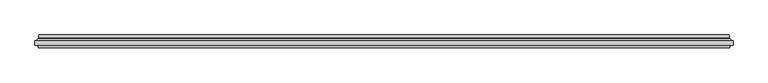
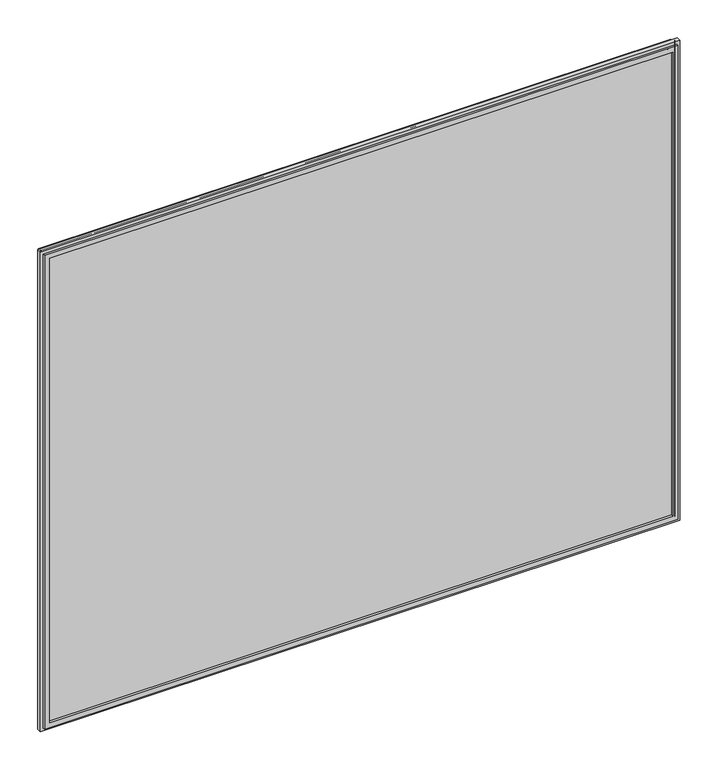
"""IFC4 building model written with IfcOpenShell, lengths in millimetres: plate geometry."""

from ifc_helpers import new_model, si_unit, frame, origin, place, context, project, spatial, polyline, ellipse_curve, outline, extrude, source, transform, mapped, element, save
from ifc_brep_helpers import plane_surface, cylinder_surface, revolved_surface, advanced_brep


def plate_e91dd78b(model_context):
    return source(origin(), model_context, "Body", "SolidModel", [
        advanced_brep(
        [(-587.5000001, 4.8968153, 19.5), (587.5000001, 4.8968153, 19.5), (587.5000001, 11.0, 19.5), (-587.5000001, 11.0, 19.5), (587.5000001, 4.8968153, 944.5000002), (587.5000001, 11.0, 944.5000002), (-587.5000001, 4.8968153, 944.5000002), (-587.5000001, 11.0, 944.5000002), (-597.6737948, 1.0, 9.3262053), (597.6737948, 1.0, 9.3262053), (597.6737948, 1.0, 954.6737949), (-597.6737948, 1.0, 954.6737949), (587.2225564, 1.0, 19.7774437), (-587.2225564, 1.0, 19.7774437), (-587.2225564, 1.0, 944.2225565), (587.2225564, 1.0, 944.2225565), (596.5000001, 11.0, 10.5), (-596.5000001, 11.0, 10.5), (-596.5000001, 11.0, 953.5000002), (596.5000001, 11.0, 953.5000002), (596.5000001, 5.9174454, 10.5), (-596.5000001, 5.9174454, 10.5), (596.5000001, 5.9174454, 953.5000002), (-596.5000001, 5.9174454, 953.5000002), (-586.5765978, 3.2113072, 20.4234023), (586.5765978, 3.2113072, 20.4234023), (-598.0737753, 3.96339, 8.9262248), (598.0737753, 3.96339, 8.9262248), (586.5765978, 3.2113072, 943.5765979), (598.0737753, 3.96339, 955.0737754), (-586.5765978, 3.2113072, 943.5765979), (-598.0737753, 3.96339, 955.0737754)],
        [
            (0, 1),
            (1, 2),
            (2, 3),
            (3, 0),
            (1, 4),
            (4, 5),
            (5, 2),
            (4, 6),
            (6, 7),
            (7, 5),
            (8, 9),
            (9, 10),
            (10, 11),
            (11, 8),
            (12, 13),
            (13, 14),
            (14, 15),
            (15, 12),
            (16, 17),
            (17, 18),
            (18, 19),
            (19, 16),
            (7, 3),
            (6, 0),
            (16, 20),
            (20, 21),
            (21, 17),
            (19, 22),
            (22, 20),
            (18, 23),
            (23, 22),
            (21, 23),
            (24, 25),
            (25, 1, ellipse_curve(frame((585.5000001, 4.8968153, 21.5), z_axis=(0.7071067811865475, 0.0, 0.7071067811865475), x_axis=(0.7071067811865476, 0.0, -0.7071067811865474)), 2.8284271, 2.0)),
            (0, 24, ellipse_curve(frame((-585.5000001, 4.8968153, 21.5), z_axis=(-0.7071067811865475, 0.0, 0.7071067811865475), x_axis=(0.7071067811865476, 0.0, 0.7071067811865474)), 2.8284271, 2.0)),
            (12, 25, ellipse_curve(frame((587.2225564, 2.2000024, 19.7774437), z_axis=(-0.7071067811865475, 0.0, -0.7071067811865475), x_axis=(-0.7071067811865476, 0.0, 0.7071067811865474)), 1.6970563, 1.2)),
            (24, 13, ellipse_curve(frame((-587.2225564, 2.2000024, 19.7774437), z_axis=(0.7071067811865475, 0.0, -0.7071067811865475), x_axis=(-0.7071067811865476, 0.0, -0.7071067811865474)), 1.6970563, 1.2)),
            (26, 27),
            (27, 9, ellipse_curve(frame((597.7541068, 2.4978485, 9.2458934), z_axis=(-0.7071067811865475, 0.0, -0.7071067811865475), x_axis=(-0.7071067811865476, 0.0, 0.7071067811865474)), 2.1213203, 1.5)),
            (8, 26, ellipse_curve(frame((-597.7541068, 2.4978485, 9.2458934), z_axis=(0.7071067811865475, 0.0, -0.7071067811865475), x_axis=(-0.7071067811865476, 0.0, -0.7071067811865474)), 2.1213203, 1.5)),
            (20, 27, ellipse_curve(frame((598.5000001, 5.9174454, 8.5), z_axis=(0.7071067811865475, 0.0, 0.7071067811865475), x_axis=(0.7071067811865476, 0.0, -0.7071067811865474)), 2.8284271, 2.0)),
            (26, 21, ellipse_curve(frame((-598.5000001, 5.9174454, 8.5), z_axis=(-0.7071067811865475, 0.0, 0.7071067811865475), x_axis=(0.7071067811865476, 0.0, 0.7071067811865474)), 2.8284271, 2.0)),
            (25, 28),
            (28, 4, ellipse_curve(frame((585.5000001, 4.8968153, 942.5000002), z_axis=(-0.7071067811865475, 0.0, 0.7071067811865475), x_axis=(0.7071067811865474, 0.0, 0.7071067811865476)), 2.8284271, 2.0)),
            (15, 28, ellipse_curve(frame((587.2225564, 2.2000024, 944.2225565), z_axis=(0.7071067811865475, 0.0, -0.7071067811865475), x_axis=(-0.7071067811865474, 0.0, -0.7071067811865476)), 1.6970563, 1.2)),
            (27, 29),
            (29, 10, ellipse_curve(frame((597.7541068, 2.4978485, 954.7541069), z_axis=(0.7071067811865475, 0.0, -0.7071067811865475), x_axis=(-0.7071067811865474, 0.0, -0.7071067811865476)), 2.1213203, 1.5)),
            (22, 29, ellipse_curve(frame((598.5000001, 5.9174454, 955.5000002), z_axis=(-0.7071067811865475, 0.0, 0.7071067811865475), x_axis=(0.7071067811865474, 0.0, 0.7071067811865476)), 2.8284271, 2.0)),
            (28, 30),
            (30, 6, ellipse_curve(frame((-585.5000001, 4.8968153, 942.5000002), z_axis=(-0.7071067811865475, 0.0, -0.7071067811865475), x_axis=(-0.7071067811865476, 0.0, 0.7071067811865474)), 2.8284271, 2.0)),
            (14, 30, ellipse_curve(frame((-587.2225564, 2.2000024, 944.2225565), z_axis=(0.7071067811865475, 0.0, 0.7071067811865475), x_axis=(0.7071067811865476, 0.0, -0.7071067811865474)), 1.6970563, 1.2)),
            (29, 31),
            (31, 11, ellipse_curve(frame((-597.7541068, 2.4978485, 954.7541069), z_axis=(0.7071067811865475, 0.0, 0.7071067811865475), x_axis=(0.7071067811865476, 0.0, -0.7071067811865474)), 2.1213203, 1.5)),
            (23, 31, ellipse_curve(frame((-598.5000001, 5.9174454, 955.5000002), z_axis=(-0.7071067811865475, 0.0, -0.7071067811865475), x_axis=(-0.7071067811865476, 0.0, 0.7071067811865474)), 2.8284271, 2.0)),
            (30, 24),
            (31, 26),
        ],
        [
            plane_surface(frame((-587.5000001, 11.0, 19.5), z_axis=(0.0, 0.0, 1.0), x_axis=(1.0, 0.0, 0.0))),
            plane_surface(frame((587.5000001, 11.0, 19.5), z_axis=(-1.0, 0.0, 0.0), x_axis=(0.0, 0.0, 1.0))),
            plane_surface(frame((587.5000001, 11.0, 944.5000002), z_axis=(0.0, 0.0, -1.0), x_axis=(-1.0, 0.0, 0.0))),
            plane_surface(frame((-587.2225564, 1.0, 944.2225565), z_axis=(0.0, -1.0, 0.0), x_axis=(0.0, 0.0, -1.0))),
            plane_surface(frame((-596.5000001, 11.0, 953.5000002), z_axis=(0.0, 1.0, 0.0), x_axis=(0.0, 0.0, -1.0))),
            plane_surface(frame((-587.5000001, 11.0, 944.5000002), z_axis=(1.0, 0.0, 0.0), x_axis=(0.0, 0.0, -1.0))),
            plane_surface(frame((-596.5000001, 5.9174454, 10.5), z_axis=(0.0, 0.0, -1.0), x_axis=(1.0, 0.0, 0.0))),
            plane_surface(frame((596.5000001, 5.9174454, 10.5), z_axis=(1.0, 0.0, 0.0), x_axis=(0.0, 0.0, 1.0))),
            plane_surface(frame((596.5000001, 5.9174454, 953.5000002), z_axis=(0.0, 0.0, 1.0), x_axis=(-1.0, 0.0, 0.0))),
            plane_surface(frame((-596.5000001, 5.9174454, 953.5000002), z_axis=(-1.0, 0.0, 0.0), x_axis=(0.0, 0.0, -1.0))),
            revolved_surface(polyline([(587.5000001, 2.8968153, 21.5), (-587.5000001, 2.8968153, 21.5)]), (-607.0000001, 4.8968153, 21.5), (1.0, 0.0, 0.0)),
            cylinder_surface(frame((-607.0000001, 2.2000024, 19.7774437), z_axis=(-1.0, 0.0, 0.0), x_axis=(0.0, -1.0, 0.0)), 1.2),
            cylinder_surface(frame((-607.0000001, 2.4978485, 9.2458934), z_axis=(-1.0, 0.0, 0.0), x_axis=(0.0, -1.0, 0.0)), 1.5),
            revolved_surface(polyline([(600.5000000825017, 3.9174454, 8.5), (-600.5000000825017, 3.9174454, 8.5)]), (-607.0000001, 5.9174454, 8.5), (1.0, 0.0, 0.0)),
            revolved_surface(polyline([(585.5000001, 2.8968153, 944.5000002), (585.5000001, 2.8968153, 19.5)]), (585.5000001, 4.8968153, 0.0), (0.0, 0.0, 1.0)),
            cylinder_surface(frame((587.2225564, 2.2000024, 0.0), z_axis=(0.0, 0.0, -1.0), x_axis=(0.0, -1.0, 0.0)), 1.2),
            cylinder_surface(frame((597.7541068, 2.4978485, 0.0), z_axis=(0.0, 0.0, -1.0), x_axis=(0.0, -1.0, 0.0)), 1.5),
            revolved_surface(polyline([(598.5000001, 3.9174454, 957.5000001825018), (598.5000001, 3.9174454, 6.500000017498199)]), (598.5000001, 5.9174454, 0.0), (0.0, 0.0, 1.0)),
            revolved_surface(polyline([(-587.5000001, 2.8968153, 942.5000002), (587.5000001, 2.8968153, 942.5000002)]), (607.0000001, 4.8968153, 942.5000002), (-1.0, 0.0, 0.0)),
            cylinder_surface(frame((607.0000001, 2.2000024, 944.2225565), z_axis=(1.0, 0.0, 0.0), x_axis=(0.0, -1.0, 0.0)), 1.2),
            cylinder_surface(frame((607.0000001, 2.4978485, 954.7541069), z_axis=(1.0, 0.0, 0.0), x_axis=(0.0, -1.0, 0.0)), 1.5),
            revolved_surface(polyline([(-600.5000000825017, 3.9174454, 955.5000002), (600.5000000825017, 3.9174454, 955.5000002)]), (607.0000001, 5.9174454, 955.5000002), (-1.0, 0.0, 0.0)),
            revolved_surface(polyline([(-585.5000001, 2.8968153, 19.5), (-585.5000001, 2.8968153, 944.5000002)]), (-585.5000001, 4.8968153, 964.0000002), (0.0, 0.0, -1.0)),
            cylinder_surface(frame((-587.2225564, 2.2000024, 964.0000002), z_axis=(0.0, 0.0, 1.0), x_axis=(0.0, -1.0, 0.0)), 1.2),
            cylinder_surface(frame((-597.7541068, 2.4978485, 964.0000002), z_axis=(0.0, 0.0, 1.0), x_axis=(0.0, -1.0, 0.0)), 1.5),
            revolved_surface(polyline([(-598.5000001, 3.9174454, 6.500000017498223), (-598.5000001, 3.9174454, 957.5000001825018)]), (-598.5000001, 5.9174454, 964.0000002), (0.0, 0.0, -1.0)),
        ],
        [
            (0, [[1, 2, 3, 4]]),
            (1, [[5, 6, 7, -2]]),
            (2, [[8, 9, 10, -6]]),
            (3, [[11, 12, 13, 14], [15, 16, 17, 18]]),
            (4, [[19, 20, 21, 22], [-3, -7, -10, 23]]),
            (5, [[24, -4, -23, -9]]),
            (6, [[-19, 25, 26, 27]]),
            (7, [[-22, 28, 29, -25]]),
            (8, [[-21, 30, 31, -28]]),
            (9, [[-20, -27, 32, -30]]),
            (10, [[33, 34, -1, 35]]),
            (11, [[-15, 36, -33, 37]]),
            (12, [[38, 39, -11, 40]]),
            (13, [[-26, 41, -38, 42]]),
            (14, [[43, 44, -5, -34]]),
            (15, [[-18, 45, -43, -36]]),
            (16, [[46, 47, -12, -39]]),
            (17, [[-29, 48, -46, -41]]),
            (18, [[49, 50, -8, -44]]),
            (19, [[-17, 51, -49, -45]]),
            (20, [[52, 53, -13, -47]]),
            (21, [[-31, 54, -52, -48]]),
            (22, [[55, -35, -24, -50]]),
            (23, [[-16, -37, -55, -51]]),
            (24, [[56, -40, -14, -53]]),
            (25, [[-32, -42, -56, -54]]),
        ],
    ),
        extrude(outline(polyline([(9.5, -597.5000001), (9.5, 597.5000001), (954.5000002, 597.5000001), (954.5000002, -597.5000001), (9.5, -597.5000001)]), holes=[polyline([(19.5, 587.5000001), (19.5, -587.5000001), (944.5000002, -587.5000001), (944.5000002, 587.5000001), (19.5, 587.5000001)])]), frame((0.0, -11.0, 0.0), z_axis=(0.0, 1.0, 0.0), x_axis=(0.0, 0.0, 1.0)), (0.0, 0.0, 1.0), 4.0),
        extrude(outline(polyline([(-603.0000001, -7.0), (-603.0000001, 1.0), (603.0000001, 1.0), (603.0000001, -7.0), (-603.0000001, -7.0)])), frame((0.0, 0.0, 4.0), z_axis=(0.0, 0.0, 1.0), x_axis=(1.0, 0.0, 0.0)), (0.0, 0.0, 1.0), 956.0000002),
    ])


if __name__ == "__main__":
    model = new_model("IFC4")
    model_context = context("Model", 3, world=origin())
    ifc_project = project(units=[si_unit("LENGTHUNIT", "METRE", prefix="MILLI")], contexts=[model_context])
    site = spatial("IfcSite", under=ifc_project)
    building = spatial("IfcBuilding", under=site)
    placement = place(None, origin())
    plate_shape = plate_e91dd78b(model_context)
    element("IfcPlate", 1, at=placement, inside=building, context=model_context, shape_type="MappedRepresentation", body=[
        mapped(plate_shape, transform((0.0, 0.0, 0.0), x_axis=(1.0, 0.0, 0.0), y_axis=(0.0, 1.0, 0.0), z_axis=(0.0, 0.0, 1.0))),
    ])
    save(model, "model.ifc")
